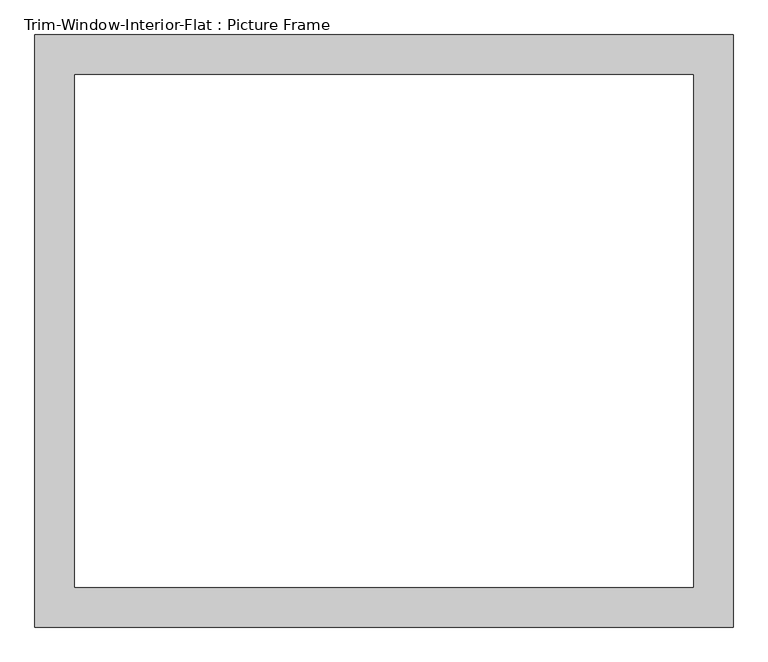
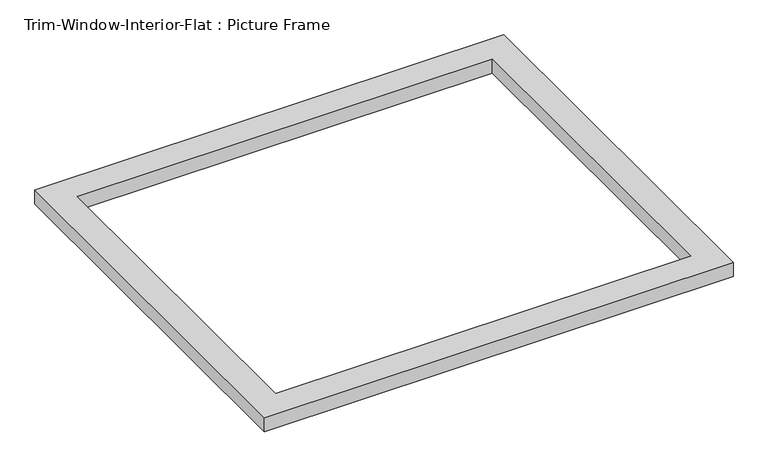
"""IFC4 building model written with IfcOpenShell, lengths in millimetres: proxy geometry, Trim-Window-Interior-Flat : Picture Frame."""

from ifc_helpers import new_model, si_unit, origin, origin_with_axes, place, context, project, spatial, polyline, outline, extrude, source, transform, mapped, element, save


def trim_window_interior_flat_picture_frame_01dc0e08(model_context):
    return source(origin(), model_context, "Body", "SweptSolid", [
        extrude(outline(polyline([(501.65, -44.45), (-501.65, -44.45), (-501.65, 806.45), (501.65, 806.45), (501.65, -44.45)]), holes=[polyline([(444.5, 12.7), (444.5, 749.3), (-444.5, 749.3), (-444.5, 12.7), (444.5, 12.7)])]), origin_with_axes(), (0.0, 0.0, 1.0), 31.75),
    ])


if __name__ == "__main__":
    model = new_model("IFC4")
    model_context = context("Model", 3, world=origin())
    ifc_project = project(units=[si_unit("LENGTHUNIT", "METRE", prefix="MILLI")], contexts=[model_context])
    site = spatial("IfcSite", under=ifc_project)
    building = spatial("IfcBuilding", under=site)
    placement = place(None, origin())
    trim_window_interior_flat_picture_frame_shape = trim_window_interior_flat_picture_frame_01dc0e08(model_context)
    element("IfcBuildingElementProxy", 1, Name="Trim-Window-Interior-Flat : Picture Frame", ObjectType="Trim-Window-Interior-Flat : Picture Frame", at=placement, inside=building, context=model_context, shape_type="MappedRepresentation", body=[
        mapped(trim_window_interior_flat_picture_frame_shape, transform((0.0, 0.0, 0.0), x_axis=(1.0, 0.0, 0.0), y_axis=(0.0, 1.0, 0.0), z_axis=(0.0, 0.0, 1.0))),
    ])
    save(model, "model.ifc")
